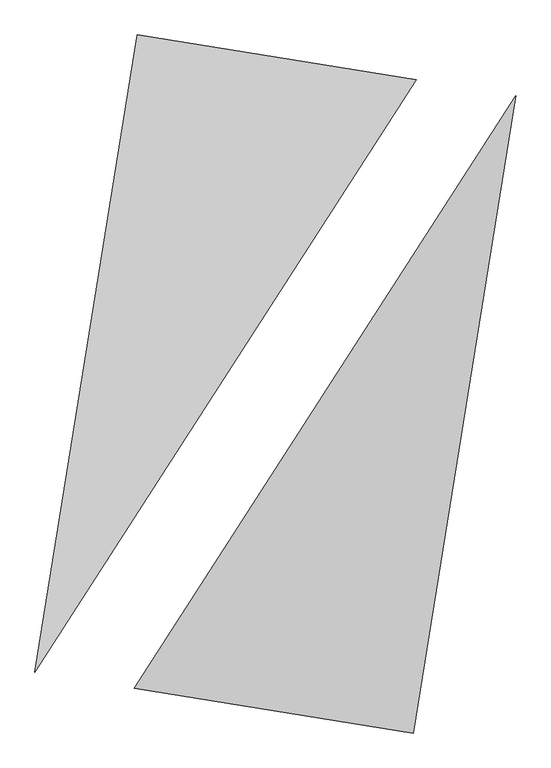
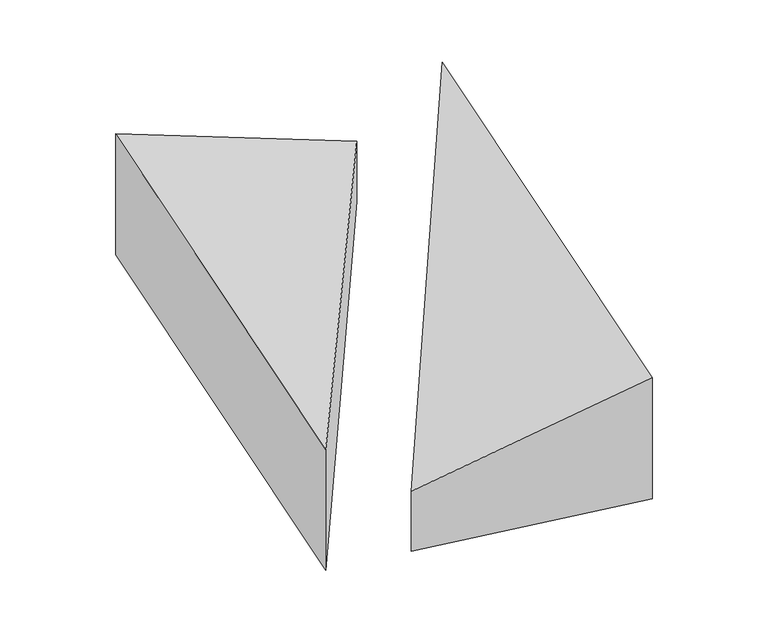
"""IFC4 building model written with IfcOpenShell, lengths in millimetres: proxy geometry."""

from ifc_helpers import new_model, si_unit, origin, place, context, project, spatial, faceted_brep, source, transform, mapped, element, save


def generic_models_334e4209(model_context):
    return source(origin(), model_context, "Body", "Brep", [
        faceted_brep([(874.6583171, 1885.3372394, 0.0), (-856.0170022, 2162.7277087, 0.0), (-856.0170022, 2162.7277087, 1000.0), (874.6583171, 1885.3372394, 500.0), (-1489.0524341, -1786.862921, 0.0), (-1489.0524341, -1786.862921, 1000.0)], [[[0, 1, 2, 3]], [[1, 4, 5, 2]], [[4, 0, 3, 5]], [[3, 2, 5]], [[0, 4, 1]]]),
        faceted_brep([(856.0170022, -2162.7277087, 0.0), (1489.0524341, 1786.862921, 0.0), (1489.0524341, 1786.862921, 1000.0), (856.0170022, -2162.7277087, 1000.0), (-874.6583171, -1885.3372394, 0.0), (-874.6583171, -1885.3372394, 500.0)], [[[0, 1, 2, 3]], [[1, 4, 5, 2]], [[4, 0, 3, 5]], [[2, 5, 3]], [[0, 4, 1]]]),
    ])


if __name__ == "__main__":
    model = new_model("IFC4")
    model_context = context("Model", 3, world=origin())
    ifc_project = project(units=[si_unit("LENGTHUNIT", "METRE", prefix="MILLI")], contexts=[model_context])
    site = spatial("IfcSite", under=ifc_project)
    building = spatial("IfcBuilding", under=site)
    placement = place(None, origin())
    generic_models_shape = generic_models_334e4209(model_context)
    element("IfcBuildingElementProxy", 1, Name="Generic Models", at=placement, inside=building, context=model_context, shape_type="MappedRepresentation", body=[
        mapped(generic_models_shape, transform((0.0, 0.0, 0.0), x_axis=(1.0, 0.0, 0.0), y_axis=(0.0, 1.0, 0.0), z_axis=(0.0, 0.0, 1.0))),
    ])
    save(model, "model.ifc")
